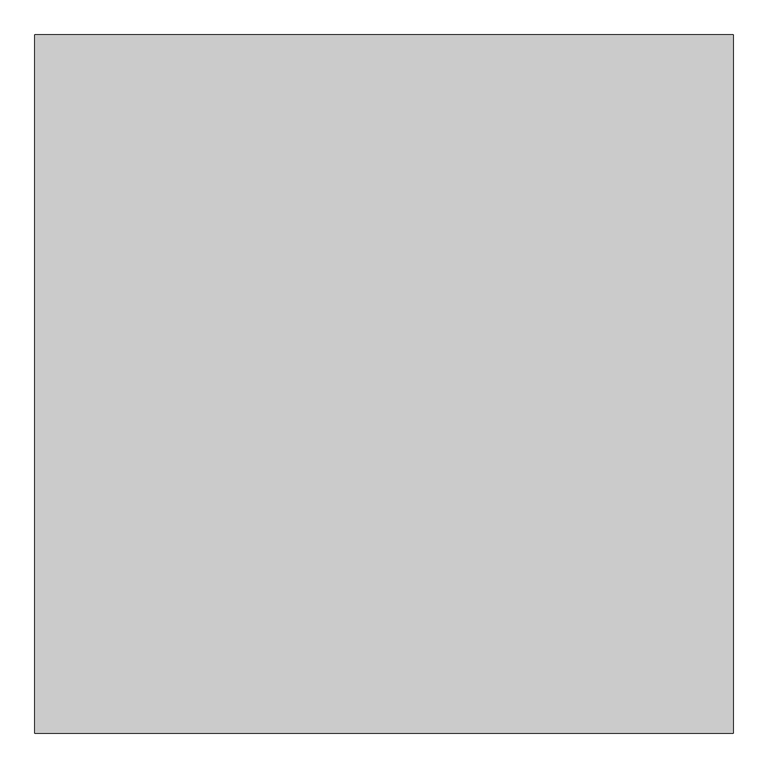
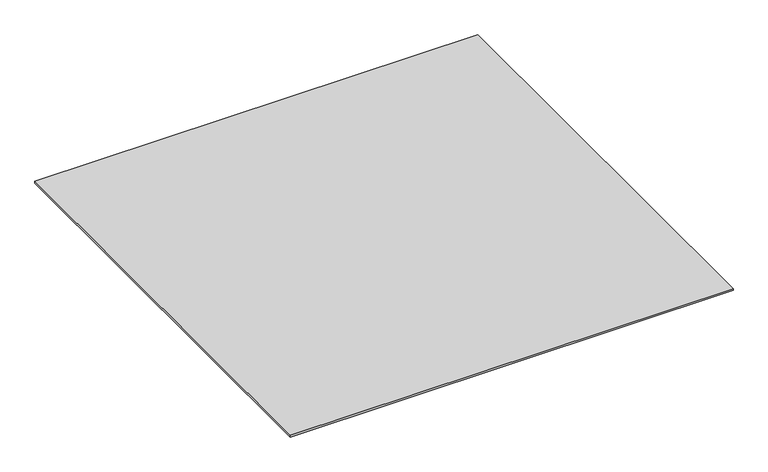
"""IFC4 building model written with IfcOpenShell, lengths in millimetres: proxy geometry."""

from ifc_helpers import new_model, si_unit, origin, origin_with_axes, place, context, project, spatial, polyline, outline, extrude, source, transform, mapped, element, save


def generic_models_7eab93f2(model_context):
    return source(origin(), model_context, "Body", "SweptSolid", [
        extrude(outline(polyline([(-16196.9237868, -37187.355679), (-16196.9237868, -38187.355679), (-17196.9237868, -38187.355679), (-17196.9237868, -37187.355679), (-16196.9237868, -37187.355679)])), origin_with_axes(), (0.0, 0.0, 1.0), 4.0),
    ])


if __name__ == "__main__":
    model = new_model("IFC4")
    model_context = context("Model", 3, world=origin())
    ifc_project = project(units=[si_unit("LENGTHUNIT", "METRE", prefix="MILLI")], contexts=[model_context])
    site = spatial("IfcSite", under=ifc_project)
    building = spatial("IfcBuilding", under=site)
    placement = place(None, origin())
    generic_models_shape = generic_models_7eab93f2(model_context)
    element("IfcBuildingElementProxy", 1, Name="Generic Models", at=placement, inside=building, context=model_context, shape_type="MappedRepresentation", body=[
        mapped(generic_models_shape, transform((0.0, 0.0, 0.0), x_axis=(1.0, 0.0, 0.0), y_axis=(0.0, 1.0, 0.0), z_axis=(0.0, 0.0, 1.0))),
    ])
    save(model, "model.ifc")
